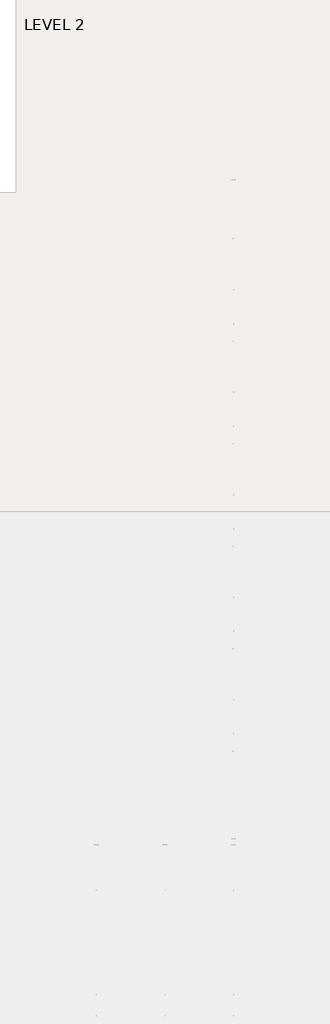
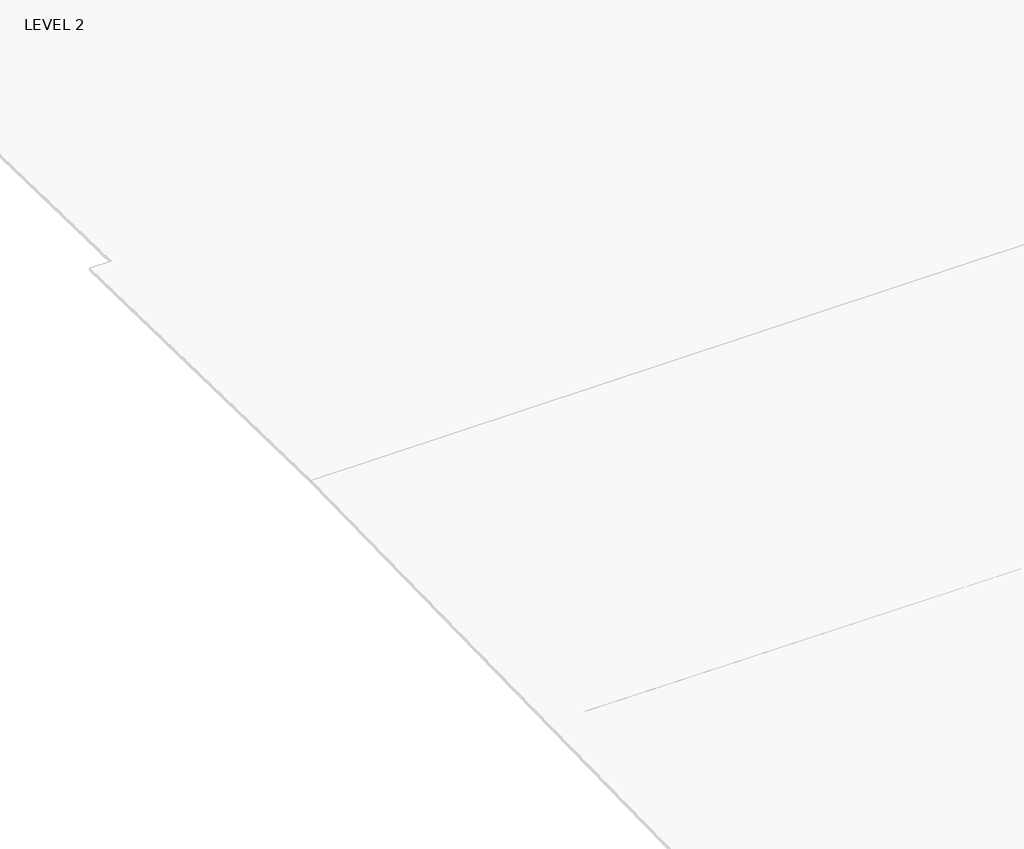
# One storey, part 13 of 67: 1 beam.
"""IFC4 building model written with IfcOpenShell, lengths in millimetres."""

from ifc_helpers import new_model, si_unit, frame, origin, place, context, project, spatial, polyline, outline, extrude, faceted_brep, element, save

model = new_model("IFC4")

# Units and contexts
model_context = context("Model", 3, world=origin())
ifc_project = project(units=[si_unit("LENGTHUNIT", "METRE", prefix="MILLI")], contexts=[model_context])

# Site, building, storey
site = spatial("IfcSite", under=ifc_project)
building = spatial("IfcBuilding", under=site)
storey = spatial("IfcBuildingStorey", under=building, Name="LEVEL 2", Elevation=6908.8)

# Beam
placement = place(None, origin())
element("IfcBeam", 1, ObjectType="K-Series Bar Joist-Angle Web : 20K3", at=placement, inside=storey, context=model_context, shape_type="SolidModel", body=[
    extrude(outline(polyline([(0.0, -9.525), (0.0, 0.0), (1028.0726482, 0.0), (1028.0726482, -9.525), (0.0, -9.525)])), frame((8848.9214942, 3035.5447016, 6301.7293524), z_axis=(0.0, -0.45779019940666343, 0.8890602529228306), x_axis=(0.0, -0.8890602529228306, -0.45779019940666343)), (0.0, 0.0, 1.0), 9.525),
    extrude(outline(polyline([(0.0, -9.525), (0.0, 0.0), (1028.0726482, 0.0), (1028.0726482, -9.525), (0.0, -9.525)])), frame((8839.3964942, -8186.0801874, 6292.6266625), z_axis=(0.0, 0.4563472328447928, 0.8898017774060134), x_axis=(0.0, 0.8898017774060134, -0.4563472328447928)), (0.0, 0.0, 1.0), 9.525),
    extrude(outline(polyline([(4.7625, 4.7625), (4.7625, -4.7625), (-4.7625, -4.7625), (-4.7625, 4.7625), (4.7625, 4.7625)])), frame((8844.1589942, 2119.3459472, 5835.3219193), z_axis=(0.0, 0.5289887197867537, 0.8486288554712076), x_axis=(-1.0, 0.0, 0.0)), (0.0, 0.0, 1.0), 553.9970421),
    extrude(outline(polyline([(4.7625, 4.7625), (4.7625, -4.7625), (-4.7625, -4.7625), (-4.7625, 4.7625), (4.7625, 4.7625)])), frame((8844.1589942, -7269.125964, 5827.7062353), z_axis=(0.0, -0.5303647939915402, 0.8477695354837371), x_axis=(-1.0, 0.0, 0.0)), (0.0, 0.0, 1.0), 553.9970421),
    extrude(outline(polyline([(0.0, 0.0), (31.75, 0.0), (31.75, -6.3500001), (6.35, -6.3500001), (6.35, -31.75), (0.0, -31.75), (0.0, 0.0)])), frame((8848.9214942, -7370.7207796, 5821.2738221), z_axis=(0.0, 0.9999996709985637, 0.0008111736956161088), x_axis=(1.0, 0.0, 0.0)), (0.0, 0.0, 1.0), 9591.675),
    extrude(outline(polyline([(-9.525, 0.0), (-9.525, -31.75), (-15.875, -31.75), (-15.875, -6.3500001), (-41.275, -6.3500001), (-41.275, 0.0), (-9.525, 0.0)])), frame((8848.9214942, -7370.7207796, 5821.2738221), z_axis=(0.0, 0.9999996709985637, 0.0008111736956161088), x_axis=(1.0, 0.0, 0.0)), (0.0, 0.0, 1.0), 9591.675),
    extrude(outline(polyline([(-31.75, 0.0), (0.0, 0.0), (0.0, -6.35), (-25.4, -6.35), (-25.4, -31.7499999), (-31.75, -31.7499999), (-31.75, 0.0)])), frame((8880.6714942, -8285.4810455, 6265.0319387), z_axis=(0.0, 0.9999996709985637, 0.0008111736956161088), x_axis=(1.0, 0.0, 0.0)), (0.0, 0.0, 1.0), 101.6),
    extrude(outline(polyline([(-41.275, 0.0), (-41.275, -31.7499999), (-47.625, -31.7499999), (-47.625, -6.35), (-73.025, -6.35), (-73.025, 0.0), (-41.275, 0.0)])), frame((8880.6714942, -8285.4810455, 6265.0319387), z_axis=(0.0, 0.9999996709985637, 0.0008111736956161088), x_axis=(1.0, 0.0, 0.0)), (0.0, 0.0, 1.0), 101.6),
    extrude(outline(polyline([(0.0, 0.0), (31.75, 0.0), (31.75, -6.35), (6.3500001, -6.35), (6.3500001, -31.75), (0.0, -31.75), (0.0, 0.0)])), frame((8839.3964942, 3033.3902306, 6274.2135123), z_axis=(0.0, 0.9999996709985637, 0.0008111736956161088), x_axis=(0.0, -0.0008111736956161088, 0.9999996709985637)), (0.0, 0.0, 1.0), 101.6),
    extrude(outline(polyline([(0.0, 41.275), (6.3500001, 41.275), (6.3500001, 15.875), (31.75, 15.875), (31.75, 9.525), (0.0, 9.525), (0.0, 41.275)])), frame((8839.3964942, 3033.3902306, 6274.2135123), z_axis=(0.0, 0.9999996709985637, 0.0008111736956161088), x_axis=(0.0, -0.0008111736956161088, 0.9999996709985637)), (0.0, 0.0, 1.0), 101.6),
    extrude(outline(polyline([(0.0, 0.0), (31.75, 0.0), (31.75, -6.35), (6.35, -6.35), (6.35, -31.75), (0.0, -31.75), (0.0, 0.0)])), frame((8848.9214942, -8285.532555, 6328.5319178), z_axis=(0.0, 0.9999996709985637, 0.0008111736956161088), x_axis=(0.0, 0.0008111736956161088, -0.9999996709985637)), (0.0, 0.0, 1.0), 11420.475),
    extrude(outline(polyline([(0.0, 9.525), (0.0, 41.275), (6.35, 41.275), (6.35, 15.875), (31.75, 15.875), (31.75, 9.525), (0.0, 9.525)])), frame((8848.9214942, -8285.532555, 6328.5319178), z_axis=(0.0, 0.9999996709985637, 0.0008111736956161088), x_axis=(0.0, 0.0008111736956161088, -0.9999996709985637)), (0.0, 0.0, 1.0), 11420.475),
    faceted_brep([(8844.1589942, 2119.3330698, 5851.196914), (8844.1589942, 2119.3485226, 5832.1469203), (8839.3964942, 2119.3485226, 5832.1469203), (8839.3964942, 2119.3330698, 5851.196914), (8844.1589942, 2118.4615659, 5851.1962071), (8844.1589942, 1837.3307328, 6333.5683199), (8844.1589942, 1819.1522429, 6333.5535739), (8844.1589942, 1819.1676957, 6314.5035802), (8844.1589942, 1826.3891975, 6314.5094381), (8844.1589942, 2107.5200307, 5832.1373253), (8839.3964942, 2107.5200307, 5832.1373253), (8839.3964942, 2087.1750362, 5867.0458335), (8839.3964942, 2091.2897218, 5869.4439095), (8839.3964942, 1839.7516079, 6301.0400104), (8839.3964942, 1835.6369223, 6298.6419344), (8839.3964942, 1826.3891975, 6314.5094381), (8839.3964942, 1819.1676957, 6314.5035802), (8839.3964942, 1819.1522429, 6333.5535739), (8839.3964942, 1837.3307328, 6333.5683199), (8839.3964942, 2118.4615659, 5851.1962071), (8826.6964942, 1835.6369223, 6298.6419344), (8826.6964942, 2087.1750362, 5867.0458335), (8826.6964942, 2091.2897218, 5869.4439095), (8826.6964942, 1839.7516079, 6301.0400104)], [[[0, 1, 2, 3]], [[1, 0, 4, 5, 6, 7, 8, 9]], [[2, 1, 9, 10]], [[3, 2, 10, 11, 12, 13, 14, 15, 16, 17, 18, 19]], [[0, 3, 19, 4]], [[9, 8, 15, 14, 20, 21, 11, 10]], [[5, 4, 19, 18]], [[7, 6, 17, 16]], [[8, 7, 16, 15]], [[6, 5, 18, 17]], [[21, 22, 12, 11]], [[20, 14, 13, 23]], [[22, 21, 20, 23]], [[12, 22, 23, 13]]]),
    extrude(outline(polyline([(1532.4698095, 5831.6708596), (1532.4543566, 5850.7208533), (1533.3258605, 5850.7215603), (1813.6737488, 6333.5491299), (1831.8522387, 6333.5638759), (1831.8676915, 6314.5138821), (1824.6461898, 6314.5080242), (1544.2983015, 5831.6804545), (1532.4698095, 5831.6708596)])), frame((8844.1589942, 0.0, 0.0), z_axis=(1.0, 0.0, 0.0), x_axis=(0.0, 1.0, 0.0)), (0.0, 0.0, 1.0), 4.7625),
    extrude(outline(polyline([(-4.7625, 4.7625), (-4.7625, 0.0), (-17.4625, 0.0), (-17.4625, 4.7625), (-4.7625, 4.7625)])), frame((8844.1589942, 1564.5866355, 5866.6219234), z_axis=(0.0, 0.502130690204053, 0.8647917494722076), x_axis=(-1.0, 0.0, 0.0)), (0.0, 0.0, 1.0), 499.5464113),
    faceted_brep([(8844.1589942, -6682.2601282, 5844.0572908), (8844.1589942, -6682.2446754, 5825.0072971), (8839.3964942, -6682.2446754, 5825.0072971), (8839.3964942, -6682.2601282, 5844.0572908), (8844.1589942, -6683.1316321, 5844.0565839), (8844.1589942, -6964.2624653, 6326.4286966), (8844.1589942, -6982.4409551, 6326.4139507), (8844.1589942, -6982.4255023, 6307.363957), (8844.1589942, -6975.2040005, 6307.3698149), (8844.1589942, -6694.0731673, 5824.9977021), (8839.3964942, -6694.0731673, 5824.9977021), (8839.3964942, -6714.4181619, 5859.9062103), (8839.3964942, -6710.3034762, 5862.3042863), (8839.3964942, -6961.8415901, 6293.9003872), (8839.3964942, -6965.9562758, 6291.5023112), (8839.3964942, -6975.2040005, 6307.3698149), (8839.3964942, -6982.4255023, 6307.363957), (8839.3964942, -6982.4409551, 6326.4139507), (8839.3964942, -6964.2624653, 6326.4286966), (8839.3964942, -6683.1316321, 5844.0565839), (8826.6964942, -6965.9562758, 6291.5023112), (8826.6964942, -6714.4181619, 5859.9062103), (8826.6964942, -6710.3034762, 5862.3042863), (8826.6964942, -6961.8415901, 6293.9003872)], [[[0, 1, 2, 3]], [[1, 0, 4, 5, 6, 7, 8, 9]], [[2, 1, 9, 10]], [[3, 2, 10, 11, 12, 13, 14, 15, 16, 17, 18, 19]], [[0, 3, 19, 4]], [[9, 8, 15, 14, 20, 21, 11, 10]], [[5, 4, 19, 18]], [[7, 6, 17, 16]], [[8, 7, 16, 15]], [[6, 5, 18, 17]], [[21, 22, 12, 11]], [[20, 14, 13, 23]], [[22, 21, 20, 23]], [[12, 22, 23, 13]]]),
    extrude(outline(polyline([(-7269.1233885, 5824.5312364), (-7269.1388414, 5843.5812301), (-7268.2673376, 5843.581937), (-6987.9194492, 6326.4095067), (-6969.7409593, 6326.4242526), (-6969.7255065, 6307.3742589), (-6976.9470082, 6307.368401), (-7257.2948966, 5824.5408313), (-7269.1233885, 5824.5312364)])), frame((8844.1589942, 0.0, 0.0), z_axis=(1.0, 0.0, 0.0), x_axis=(0.0, 1.0, 0.0)), (0.0, 0.0, 1.0), 4.7625),
    extrude(outline(polyline([(-4.7625, 4.7625), (-4.7625, 0.0), (-17.4625, 0.0), (-17.4625, 4.7625), (-4.7625, 4.7625)])), frame((8844.1589942, -7237.0065625, 5859.4823002), z_axis=(0.0, 0.502130690204053, 0.8647917494722076), x_axis=(-1.0, 0.0, 0.0)), (0.0, 0.0, 1.0), 499.5464113),
    faceted_brep([(8844.1589942, 1532.5601899, 5850.7209392), (8844.1589942, 1532.5756428, 5831.6709454), (8839.3964942, 1532.5756428, 5831.6709454), (8839.3964942, 1532.5601899, 5850.7209392), (8844.1589942, 1531.6886861, 5850.7202322), (8844.1589942, 1250.5578529, 6333.092345), (8844.1589942, 1232.379363, 6333.0775991), (8844.1589942, 1232.3948159, 6314.0276053), (8844.1589942, 1239.6163176, 6314.0334632), (8844.1589942, 1520.7471508, 5831.6613505), (8839.3964942, 1520.7471508, 5831.6613505), (8839.3964942, 1500.4021563, 5866.5698586), (8839.3964942, 1504.5168419, 5868.9679346), (8839.3964942, 1252.978728, 6300.5640355), (8839.3964942, 1248.8640424, 6298.1659595), (8839.3964942, 1239.6163176, 6314.0334632), (8839.3964942, 1232.3948159, 6314.0276053), (8839.3964942, 1232.379363, 6333.0775991), (8839.3964942, 1250.5578529, 6333.092345), (8839.3964942, 1531.6886861, 5850.7202322), (8826.6964942, 1248.8640424, 6298.1659595), (8826.6964942, 1500.4021563, 5866.5698586), (8826.6964942, 1504.5168419, 5868.9679346), (8826.6964942, 1252.978728, 6300.5640355)], [[[0, 1, 2, 3]], [[1, 0, 4, 5, 6, 7, 8, 9]], [[2, 1, 9, 10]], [[3, 2, 10, 11, 12, 13, 14, 15, 16, 17, 18, 19]], [[0, 3, 19, 4]], [[9, 8, 15, 14, 20, 21, 11, 10]], [[5, 4, 19, 18]], [[7, 6, 17, 16]], [[8, 7, 16, 15]], [[6, 5, 18, 17]], [[21, 22, 12, 11]], [[20, 14, 13, 23]], [[22, 21, 20, 23]], [[12, 22, 23, 13]]]),
    extrude(outline(polyline([(945.6969296, 5831.1948847), (945.6814768, 5850.2448784), (946.5529806, 5850.2455854), (1226.9008689, 6333.0731551), (1245.0793588, 6333.087901), (1245.0948117, 6314.0379072), (1237.8733099, 6314.0320493), (957.5254216, 5831.2044797), (945.6969296, 5831.1948847)])), frame((8844.1589942, 0.0, 0.0), z_axis=(1.0, 0.0, 0.0), x_axis=(0.0, 1.0, 0.0)), (0.0, 0.0, 1.0), 4.7625),
    extrude(outline(polyline([(-4.7625, 4.7625), (-4.7625, 0.0), (-17.4625, 0.0), (-17.4625, 4.7625), (-4.7625, 4.7625)])), frame((8844.1589942, 977.8137556, 5866.1459485), z_axis=(0.0, 0.502130690204053, 0.8647917494722076), x_axis=(-1.0, 0.0, 0.0)), (0.0, 0.0, 1.0), 499.5464113),
    faceted_brep([(8844.1589942, 945.7873101, 5850.2449643), (8844.1589942, 945.8027629, 5831.1949705), (8839.3964942, 945.8027629, 5831.1949705), (8839.3964942, 945.7873101, 5850.2449643), (8844.1589942, 944.9158062, 5850.2442573), (8844.1589942, 663.784973, 6332.6163701), (8844.1589942, 645.6064831, 6332.6016242), (8844.1589942, 645.621936, 6313.5516305), (8844.1589942, 652.8434377, 6313.5574883), (8844.1589942, 933.9742709, 5831.1853756), (8839.3964942, 933.9742709, 5831.1853756), (8839.3964942, 913.6292764, 5866.0938837), (8839.3964942, 917.743962, 5868.4919598), (8839.3964942, 666.2058481, 6300.0880607), (8839.3964942, 662.0911625, 6297.6899846), (8839.3964942, 652.8434377, 6313.5574883), (8839.3964942, 645.621936, 6313.5516305), (8839.3964942, 645.6064831, 6332.6016242), (8839.3964942, 663.784973, 6332.6163701), (8839.3964942, 944.9158062, 5850.2442573), (8826.6964942, 662.0911625, 6297.6899846), (8826.6964942, 913.6292764, 5866.0938837), (8826.6964942, 917.743962, 5868.4919598), (8826.6964942, 666.2058481, 6300.0880607)], [[[0, 1, 2, 3]], [[1, 0, 4, 5, 6, 7, 8, 9]], [[2, 1, 9, 10]], [[3, 2, 10, 11, 12, 13, 14, 15, 16, 17, 18, 19]], [[0, 3, 19, 4]], [[9, 8, 15, 14, 20, 21, 11, 10]], [[5, 4, 19, 18]], [[7, 6, 17, 16]], [[8, 7, 16, 15]], [[6, 5, 18, 17]], [[21, 22, 12, 11]], [[20, 14, 13, 23]], [[22, 21, 20, 23]], [[12, 22, 23, 13]]]),
    extrude(outline(polyline([(358.9240497, 5830.7189098), (358.9085969, 5849.7689035), (359.7801007, 5849.7696105), (640.1279891, 6332.5971802), (658.306479, 6332.6119261), (658.3219318, 6313.5619324), (651.1004301, 6313.5560745), (370.7525417, 5830.7285048), (358.9240497, 5830.7189098)])), frame((8844.1589942, 0.0, 0.0), z_axis=(1.0, 0.0, 0.0), x_axis=(0.0, 1.0, 0.0)), (0.0, 0.0, 1.0), 4.7625),
    extrude(outline(polyline([(-4.7625, 4.7625001), (-4.7625, 0.0), (-17.4625, 0.0), (-17.4625, 4.7625001), (-4.7625, 4.7625001)])), frame((8844.1589942, 391.0408758, 5865.6699736), z_axis=(0.0, 0.502130690204053, 0.8647917494722076), x_axis=(-1.0, 0.0, 0.0)), (0.0, 0.0, 1.0), 499.5464113),
    faceted_brep([(8844.1589942, 359.0144302, 5849.7689894), (8844.1589942, 359.029883, 5830.7189957), (8839.3964942, 359.029883, 5830.7189957), (8839.3964942, 359.0144302, 5849.7689894), (8844.1589942, 358.1429263, 5849.7682825), (8844.1589942, 77.0120932, 6332.1403952), (8844.1589942, 58.8336033, 6332.1256493), (8844.1589942, 58.8490561, 6313.0756556), (8844.1589942, 66.0705579, 6313.0815135), (8844.1589942, 347.2013911, 5830.7094007), (8839.3964942, 347.2013911, 5830.7094007), (8839.3964942, 326.8563966, 5865.6179089), (8839.3964942, 330.9710822, 5868.0159849), (8839.3964942, 79.4329683, 6299.6120858), (8839.3964942, 75.3182827, 6297.2140098), (8839.3964942, 66.0705579, 6313.0815135), (8839.3964942, 58.8490561, 6313.0756556), (8839.3964942, 58.8336033, 6332.1256493), (8839.3964942, 77.0120932, 6332.1403952), (8839.3964942, 358.1429263, 5849.7682825), (8826.6964942, 75.3182827, 6297.2140098), (8826.6964942, 326.8563966, 5865.6179089), (8826.6964942, 330.9710822, 5868.0159849), (8826.6964942, 79.4329683, 6299.6120858)], [[[0, 1, 2, 3]], [[1, 0, 4, 5, 6, 7, 8, 9]], [[2, 1, 9, 10]], [[3, 2, 10, 11, 12, 13, 14, 15, 16, 17, 18, 19]], [[0, 3, 19, 4]], [[9, 8, 15, 14, 20, 21, 11, 10]], [[5, 4, 19, 18]], [[7, 6, 17, 16]], [[8, 7, 16, 15]], [[6, 5, 18, 17]], [[21, 22, 12, 11]], [[20, 14, 13, 23]], [[22, 21, 20, 23]], [[12, 22, 23, 13]]]),
    extrude(outline(polyline([(-227.8488301, 5830.2429349), (-227.864283, 5849.2929287), (-226.9927791, 5849.2936356), (53.3551092, 6332.1212053), (71.5335991, 6332.1359512), (71.5490519, 6313.0859575), (64.3275502, 6313.0800996), (-216.0203381, 5830.2525299), (-227.8488301, 5830.2429349)])), frame((8844.1589942, 0.0, 0.0), z_axis=(1.0, 0.0, 0.0), x_axis=(0.0, 1.0, 0.0)), (0.0, 0.0, 1.0), 4.7625),
    extrude(outline(polyline([(-4.7625, 4.7625), (-4.7625, 0.0), (-17.4625, 0.0), (-17.4625, 4.7625), (-4.7625, 4.7625)])), frame((8844.1589942, -195.7320041, 5865.1939988), z_axis=(0.0, 0.502130690204053, 0.8647917494722076), x_axis=(-1.0, 0.0, 0.0)), (0.0, 0.0, 1.0), 499.5464113),
    faceted_brep([(8844.1589942, -527.9238237, 6312.5996807), (8844.1589942, -527.9392766, 6331.6496744), (8839.3964942, -527.9392766, 6331.6496744), (8839.3964942, -527.9238237, 6312.5996807), (8844.1589942, -520.702322, 6312.6055386), (8839.3964942, -520.702322, 6312.6055386), (8826.6964942, -255.8017977, 5867.54001), (8826.6964942, -259.9164833, 5865.141934), (8826.6964942, -511.4545972, 6296.7380349), (8826.6964942, -507.3399116, 6299.1361109), (8844.1589942, -227.7584497, 5849.2930145), (8844.1589942, -227.7429968, 5830.2430208), (8839.3964942, -227.7429968, 5830.2430208), (8839.3964942, -227.7584497, 5849.2930145), (8844.1589942, -228.6299535, 5849.2923076), (8844.1589942, -509.7607867, 6331.6644203), (8844.1589942, -239.5714888, 5830.2334258), (8839.3964942, -239.5714888, 5830.2334258), (8839.3964942, -259.9164833, 5865.141934), (8839.3964942, -255.8017977, 5867.54001), (8839.3964942, -507.3399116, 6299.1361109), (8839.3964942, -511.4545972, 6296.7380349), (8839.3964942, -509.7607867, 6331.6644203), (8839.3964942, -228.6299535, 5849.2923076)], [[[0, 1, 2, 3]], [[4, 0, 3, 5]], [[6, 7, 8, 9]], [[10, 11, 12, 13]], [[11, 10, 14, 15, 1, 0, 4, 16]], [[12, 11, 16, 17]], [[13, 12, 17, 18, 19, 20, 21, 5, 3, 2, 22, 23]], [[10, 13, 23, 14]], [[16, 4, 5, 21, 8, 7, 18, 17]], [[15, 14, 23, 22]], [[1, 15, 22, 2]], [[7, 6, 19, 18]], [[8, 21, 20, 9]], [[19, 6, 9, 20]]]),
    extrude(outline(polyline([(-814.62171, 5829.7669601), (-814.6371628, 5848.8169538), (-813.765659, 5848.8176607), (-533.4177707, 6331.6452304), (-515.2392808, 6331.6599763), (-515.2238279, 6312.6099826), (-522.4453297, 6312.6041247), (-802.793218, 5829.776555), (-814.62171, 5829.7669601)])), frame((8844.1589942, 0.0, 0.0), z_axis=(1.0, 0.0, 0.0), x_axis=(0.0, 1.0, 0.0)), (0.0, 0.0, 1.0), 4.7625),
    extrude(outline(polyline([(-4.7625, 4.7625), (-4.7625, 0.0), (-17.4625, 0.0), (-17.4625, 4.7625), (-4.7625, 4.7625)])), frame((8844.1589942, -782.504884, 5864.7180239), z_axis=(0.0, 0.502130690204053, 0.8647917494722076), x_axis=(-1.0, 0.0, 0.0)), (0.0, 0.0, 1.0), 499.5464113),
    faceted_brep([(8844.1589942, -1114.6967036, 6312.1237058), (8844.1589942, -1114.7121565, 6331.1736995), (8839.3964942, -1114.7121565, 6331.1736995), (8839.3964942, -1114.6967036, 6312.1237058), (8844.1589942, -1107.4752019, 6312.1295637), (8839.3964942, -1107.4752019, 6312.1295637), (8826.6964942, -842.5746776, 5867.0640351), (8826.6964942, -846.6893632, 5864.6659591), (8826.6964942, -1098.2274771, 6296.26206), (8826.6964942, -1094.1127915, 6298.660136), (8844.1589942, -814.5313295, 5848.8170396), (8844.1589942, -814.5158767, 5829.7670459), (8839.3964942, -814.5158767, 5829.7670459), (8839.3964942, -814.5313295, 5848.8170396), (8844.1589942, -815.4028334, 5848.8163327), (8844.1589942, -1096.5336666, 6331.1884455), (8844.1589942, -826.3443687, 5829.7574509), (8839.3964942, -826.3443687, 5829.7574509), (8839.3964942, -846.6893632, 5864.6659591), (8839.3964942, -842.5746776, 5867.0640351), (8839.3964942, -1094.1127915, 6298.660136), (8839.3964942, -1098.2274771, 6296.26206), (8839.3964942, -1096.5336666, 6331.1884455), (8839.3964942, -815.4028334, 5848.8163327)], [[[0, 1, 2, 3]], [[4, 0, 3, 5]], [[6, 7, 8, 9]], [[10, 11, 12, 13]], [[11, 10, 14, 15, 1, 0, 4, 16]], [[12, 11, 16, 17]], [[13, 12, 17, 18, 19, 20, 21, 5, 3, 2, 22, 23]], [[10, 13, 23, 14]], [[16, 4, 5, 21, 8, 7, 18, 17]], [[15, 14, 23, 22]], [[1, 15, 22, 2]], [[7, 6, 19, 18]], [[8, 21, 20, 9]], [[19, 6, 9, 20]]]),
    extrude(outline(polyline([(-1401.3945899, 5829.2909852), (-1401.4100427, 5848.3409789), (-1400.5385389, 5848.3416858), (-1120.1906505, 6331.1692555), (-1102.0121606, 6331.1840014), (-1101.9967078, 6312.1340077), (-1109.2182095, 6312.1281498), (-1389.5660979, 5829.3005801), (-1401.3945899, 5829.2909852)])), frame((8844.1589942, 0.0, 0.0), z_axis=(1.0, 0.0, 0.0), x_axis=(0.0, 1.0, 0.0)), (0.0, 0.0, 1.0), 4.7625),
    extrude(outline(polyline([(-4.7625, 4.7625), (-4.7625, 0.0), (-17.4625, 0.0), (-17.4625, 4.7625), (-4.7625, 4.7625)])), frame((8844.1589942, -1369.2777639, 5864.242049), z_axis=(0.0, 0.502130690204053, 0.8647917494722076), x_axis=(-1.0, 0.0, 0.0)), (0.0, 0.0, 1.0), 499.5464113),
    faceted_brep([(8844.1589942, -1701.4695835, 6311.6477309), (8844.1589942, -1701.4850363, 6330.6977247), (8839.3964942, -1701.4850363, 6330.6977247), (8839.3964942, -1701.4695835, 6311.6477309), (8844.1589942, -1694.2480817, 6311.6535888), (8839.3964942, -1694.2480817, 6311.6535888), (8826.6964942, -1429.3475574, 5866.5880602), (8826.6964942, -1433.462243, 5864.1899842), (8826.6964942, -1685.000357, 6295.7860851), (8826.6964942, -1680.8856713, 6298.1841611), (8844.1589942, -1401.3042094, 5848.3410648), (8844.1589942, -1401.2887566, 5829.291071), (8839.3964942, -1401.2887566, 5829.291071), (8839.3964942, -1401.3042094, 5848.3410648), (8844.1589942, -1402.1757133, 5848.3403578), (8844.1589942, -1683.3065464, 6330.7124706), (8844.1589942, -1413.1172485, 5829.2814761), (8839.3964942, -1413.1172485, 5829.2814761), (8839.3964942, -1433.462243, 5864.1899842), (8839.3964942, -1429.3475574, 5866.5880602), (8839.3964942, -1680.8856713, 6298.1841611), (8839.3964942, -1685.000357, 6295.7860851), (8839.3964942, -1683.3065464, 6330.7124706), (8839.3964942, -1402.1757133, 5848.3403578)], [[[0, 1, 2, 3]], [[4, 0, 3, 5]], [[6, 7, 8, 9]], [[10, 11, 12, 13]], [[11, 10, 14, 15, 1, 0, 4, 16]], [[12, 11, 16, 17]], [[13, 12, 17, 18, 19, 20, 21, 5, 3, 2, 22, 23]], [[10, 13, 23, 14]], [[16, 4, 5, 21, 8, 7, 18, 17]], [[15, 14, 23, 22]], [[1, 15, 22, 2]], [[7, 6, 19, 18]], [[8, 21, 20, 9]], [[19, 6, 9, 20]]]),
    extrude(outline(polyline([(-1988.1674697, 5828.8150103), (-1988.1829226, 5847.865004), (-1987.3114187, 5847.865711), (-1706.9635304, 6330.6932806), (-1688.7850405, 6330.7080266), (-1688.7695877, 6311.6580328), (-1695.9910894, 6311.6521749), (-1976.3389777, 5828.8246053), (-1988.1674697, 5828.8150103)])), frame((8844.1589942, 0.0, 0.0), z_axis=(1.0, 0.0, 0.0), x_axis=(0.0, 1.0, 0.0)), (0.0, 0.0, 1.0), 4.7625),
    extrude(outline(polyline([(-4.7625, 4.7625), (-4.7625, 0.0), (-17.4625, 0.0), (-17.4625, 4.7625), (-4.7625, 4.7625)])), frame((8844.1589942, -1956.0506437, 5863.7660741), z_axis=(0.0, 0.502130690204053, 0.8647917494722076), x_axis=(-1.0, 0.0, 0.0)), (0.0, 0.0, 1.0), 499.5464113),
    faceted_brep([(8844.1589942, -2288.2424633, 6311.171756), (8844.1589942, -2288.2579162, 6330.2217498), (8839.3964942, -2288.2579162, 6330.2217498), (8839.3964942, -2288.2424633, 6311.171756), (8844.1589942, -2281.0209616, 6311.1776139), (8839.3964942, -2281.0209616, 6311.1776139), (8826.6964942, -2016.1204373, 5866.1120853), (8826.6964942, -2020.2351229, 5863.7140093), (8826.6964942, -2271.7732368, 6295.3101102), (8826.6964942, -2267.6585512, 6297.7081862), (8844.1589942, -1988.0770893, 5847.8650899), (8844.1589942, -1988.0616364, 5828.8150961), (8839.3964942, -1988.0616364, 5828.8150961), (8839.3964942, -1988.0770893, 5847.8650899), (8844.1589942, -1988.9485931, 5847.8643829), (8844.1589942, -2270.0794263, 6330.2364957), (8844.1589942, -1999.8901284, 5828.8055012), (8839.3964942, -1999.8901284, 5828.8055012), (8839.3964942, -2020.2351229, 5863.7140093), (8839.3964942, -2016.1204373, 5866.1120853), (8839.3964942, -2267.6585512, 6297.7081862), (8839.3964942, -2271.7732368, 6295.3101102), (8839.3964942, -2270.0794263, 6330.2364957), (8839.3964942, -1988.9485931, 5847.8643829)], [[[0, 1, 2, 3]], [[4, 0, 3, 5]], [[6, 7, 8, 9]], [[10, 11, 12, 13]], [[11, 10, 14, 15, 1, 0, 4, 16]], [[12, 11, 16, 17]], [[13, 12, 17, 18, 19, 20, 21, 5, 3, 2, 22, 23]], [[10, 13, 23, 14]], [[16, 4, 5, 21, 8, 7, 18, 17]], [[15, 14, 23, 22]], [[1, 15, 22, 2]], [[7, 6, 19, 18]], [[8, 21, 20, 9]], [[19, 6, 9, 20]]]),
    extrude(outline(polyline([(-2574.9403496, 5828.3390354), (-2574.9558025, 5847.3890291), (-2574.0842986, 5847.3897361), (-2293.7364103, 6330.2173058), (-2275.5579204, 6330.2320517), (-2275.5424675, 6311.1820579), (-2282.7639693, 6311.1762001), (-2563.1118576, 5828.3486304), (-2574.9403496, 5828.3390354)])), frame((8844.1589942, 0.0, 0.0), z_axis=(1.0, 0.0, 0.0), x_axis=(0.0, 1.0, 0.0)), (0.0, 0.0, 1.0), 4.7625),
    extrude(outline(polyline([(-4.7625, 4.7625), (-4.7625, 0.0), (-17.4625, 0.0), (-17.4625, 4.7625), (-4.7625, 4.7625)])), frame((8844.1589942, -2542.8235236, 5863.2900992), z_axis=(0.0, 0.502130690204053, 0.8647917494722076), x_axis=(-1.0, 0.0, 0.0)), (0.0, 0.0, 1.0), 499.5464113),
    faceted_brep([(8844.1589942, -2574.8499692, 5847.389115), (8844.1589942, -2574.8345163, 5828.3391213), (8839.3964942, -2574.8345163, 5828.3391213), (8839.3964942, -2574.8499692, 5847.389115), (8844.1589942, -2575.721473, 5847.388408), (8844.1589942, -2856.8523062, 6329.7605208), (8844.1589942, -2875.0307961, 6329.7457749), (8844.1589942, -2875.0153432, 6310.6957812), (8844.1589942, -2867.7938415, 6310.7016391), (8844.1589942, -2586.6630083, 5828.3295263), (8839.3964942, -2586.6630083, 5828.3295263), (8839.3964942, -2607.0080028, 5863.2380345), (8839.3964942, -2602.8933172, 5865.6361105), (8839.3964942, -2854.4314311, 6297.2322114), (8839.3964942, -2858.5461167, 6294.8341353), (8839.3964942, -2867.7938415, 6310.7016391), (8839.3964942, -2875.0153432, 6310.6957812), (8839.3964942, -2875.0307961, 6329.7457749), (8839.3964942, -2856.8523062, 6329.7605208), (8839.3964942, -2575.721473, 5847.388408), (8826.6964942, -2858.5461167, 6294.8341353), (8826.6964942, -2607.0080028, 5863.2380345), (8826.6964942, -2602.8933172, 5865.6361105), (8826.6964942, -2854.4314311, 6297.2322114)], [[[0, 1, 2, 3]], [[1, 0, 4, 5, 6, 7, 8, 9]], [[2, 1, 9, 10]], [[3, 2, 10, 11, 12, 13, 14, 15, 16, 17, 18, 19]], [[0, 3, 19, 4]], [[9, 8, 15, 14, 20, 21, 11, 10]], [[5, 4, 19, 18]], [[7, 6, 17, 16]], [[8, 7, 16, 15]], [[6, 5, 18, 17]], [[21, 22, 12, 11]], [[20, 14, 13, 23]], [[22, 21, 20, 23]], [[12, 22, 23, 13]]]),
    extrude(outline(polyline([(-3161.7132295, 5827.8630605), (-3161.7286823, 5846.9130543), (-3160.8571785, 5846.9137612), (-2880.5092901, 6329.7413309), (-2862.3308002, 6329.7560768), (-2862.3153474, 6310.7060831), (-2869.5368491, 6310.7002252), (-3149.8847375, 5827.8726555), (-3161.7132295, 5827.8630605)])), frame((8844.1589942, 0.0, 0.0), z_axis=(1.0, 0.0, 0.0), x_axis=(0.0, 1.0, 0.0)), (0.0, 0.0, 1.0), 4.7625),
    extrude(outline(polyline([(-4.7625, 4.7625), (-4.7625, 0.0), (-17.4625, 0.0), (-17.4625, 4.7625), (-4.7625, 4.7625)])), frame((8844.1589942, -3129.5964035, 5862.8141243), z_axis=(0.0, 0.502130690204053, 0.8647917494722076), x_axis=(-1.0, 0.0, 0.0)), (0.0, 0.0, 1.0), 499.5464113),
    faceted_brep([(8844.1589942, -3161.622849, 5846.9131401), (8844.1589942, -3161.6073962, 5827.8631464), (8839.3964942, -3161.6073962, 5827.8631464), (8839.3964942, -3161.622849, 5846.9131401), (8844.1589942, -3162.4943529, 5846.9124332), (8844.1589942, -3443.625186, 6329.2845459), (8844.1589942, -3461.8036759, 6329.2698), (8844.1589942, -3461.7882231, 6310.2198063), (8844.1589942, -3454.5667213, 6310.2256642), (8844.1589942, -3173.4358881, 5827.8535514), (8839.3964942, -3173.4358881, 5827.8535514), (8839.3964942, -3193.7808826, 5862.7620596), (8839.3964942, -3189.666197, 5865.1601356), (8839.3964942, -3441.2043109, 6296.7562365), (8839.3964942, -3445.3189966, 6294.3581605), (8839.3964942, -3454.5667213, 6310.2256642), (8839.3964942, -3461.7882231, 6310.2198063), (8839.3964942, -3461.8036759, 6329.2698), (8839.3964942, -3443.625186, 6329.2845459), (8839.3964942, -3162.4943529, 5846.9124332), (8826.6964942, -3445.3189966, 6294.3581605), (8826.6964942, -3193.7808826, 5862.7620596), (8826.6964942, -3189.666197, 5865.1601356), (8826.6964942, -3441.2043109, 6296.7562365)], [[[0, 1, 2, 3]], [[1, 0, 4, 5, 6, 7, 8, 9]], [[2, 1, 9, 10]], [[3, 2, 10, 11, 12, 13, 14, 15, 16, 17, 18, 19]], [[0, 3, 19, 4]], [[9, 8, 15, 14, 20, 21, 11, 10]], [[5, 4, 19, 18]], [[7, 6, 17, 16]], [[8, 7, 16, 15]], [[6, 5, 18, 17]], [[21, 22, 12, 11]], [[20, 14, 13, 23]], [[22, 21, 20, 23]], [[12, 22, 23, 13]]]),
    extrude(outline(polyline([(-3748.4861093, 5827.3870856), (-3748.5015622, 5846.4370794), (-3747.6300583, 5846.4377863), (-3467.28217, 6329.265356), (-3449.1036801, 6329.2801019), (-3449.0882273, 6310.2301082), (-3456.309729, 6310.2242503), (-3736.6576173, 5827.3966806), (-3748.4861093, 5827.3870856)])), frame((8844.1589942, 0.0, 0.0), z_axis=(1.0, 0.0, 0.0), x_axis=(0.0, 1.0, 0.0)), (0.0, 0.0, 1.0), 4.7625),
    extrude(outline(polyline([(-4.7625, 4.7625), (-4.7625, 0.0), (-17.4625, 0.0), (-17.4625, 4.7625), (-4.7625, 4.7625)])), frame((8844.1589942, -3716.3692833, 5862.3381495), z_axis=(0.0, 0.502130690204053, 0.8647917494722076), x_axis=(-1.0, 0.0, 0.0)), (0.0, 0.0, 1.0), 499.5464113),
    faceted_brep([(8844.1589942, -3748.3957289, 5846.4371652), (8844.1589942, -3748.380276, 5827.3871715), (8839.3964942, -3748.380276, 5827.3871715), (8839.3964942, -3748.3957289, 5846.4371652), (8844.1589942, -3749.2672327, 5846.4364583), (8844.1589942, -4030.3980659, 6328.808571), (8844.1589942, -4048.5765558, 6328.7938251), (8844.1589942, -4048.5611029, 6309.7438314), (8844.1589942, -4041.3396012, 6309.7496893), (8844.1589942, -3760.208768, 5827.3775765), (8839.3964942, -3760.208768, 5827.3775765), (8839.3964942, -3780.5537625, 5862.2860847), (8839.3964942, -3776.4390769, 5864.6841607), (8839.3964942, -4027.9771908, 6296.2802616), (8839.3964942, -4032.0918764, 6293.8821856), (8839.3964942, -4041.3396012, 6309.7496893), (8839.3964942, -4048.5611029, 6309.7438314), (8839.3964942, -4048.5765558, 6328.7938251), (8839.3964942, -4030.3980659, 6328.808571), (8839.3964942, -3749.2672327, 5846.4364583), (8826.6964942, -4032.0918764, 6293.8821856), (8826.6964942, -3780.5537625, 5862.2860847), (8826.6964942, -3776.4390769, 5864.6841607), (8826.6964942, -4027.9771908, 6296.2802616)], [[[0, 1, 2, 3]], [[1, 0, 4, 5, 6, 7, 8, 9]], [[2, 1, 9, 10]], [[3, 2, 10, 11, 12, 13, 14, 15, 16, 17, 18, 19]], [[0, 3, 19, 4]], [[9, 8, 15, 14, 20, 21, 11, 10]], [[5, 4, 19, 18]], [[7, 6, 17, 16]], [[8, 7, 16, 15]], [[6, 5, 18, 17]], [[21, 22, 12, 11]], [[20, 14, 13, 23]], [[22, 21, 20, 23]], [[12, 22, 23, 13]]]),
    extrude(outline(polyline([(-4335.2589892, 5826.9111108), (-4335.2744421, 5845.9611045), (-4334.4029382, 5845.9618114), (-4054.0550499, 6328.7893811), (-4035.87656, 6328.804127), (-4035.8611071, 6309.7541333), (-4043.0826089, 6309.7482754), (-4323.4304972, 5826.9207057), (-4335.2589892, 5826.9111108)])), frame((8844.1589942, 0.0, 0.0), z_axis=(1.0, 0.0, 0.0), x_axis=(0.0, 1.0, 0.0)), (0.0, 0.0, 1.0), 4.7625),
    extrude(outline(polyline([(-4.7625, 4.7625), (-4.7625, 0.0), (-17.4625, 0.0), (-17.4625, 4.7625), (-4.7625, 4.7625)])), frame((8844.1589942, -4303.1421632, 5861.8621746), z_axis=(0.0, 0.502130690204053, 0.8647917494722076), x_axis=(-1.0, 0.0, 0.0)), (0.0, 0.0, 1.0), 499.5464113),
    faceted_brep([(8844.1589942, -4335.1686088, 5845.9611903), (8844.1589942, -4335.1531559, 5826.9111966), (8839.3964942, -4335.1531559, 5826.9111966), (8839.3964942, -4335.1686088, 5845.9611903), (8844.1589942, -4336.0401126, 5845.9604834), (8844.1589942, -4617.1709458, 6328.3325962), (8844.1589942, -4635.3494357, 6328.3178502), (8844.1589942, -4635.3339828, 6309.2678565), (8844.1589942, -4628.1124811, 6309.2737144), (8844.1589942, -4346.9816479, 5826.9016016), (8839.3964942, -4346.9816479, 5826.9016016), (8839.3964942, -4367.3266424, 5861.8101098), (8839.3964942, -4363.2119568, 5864.2081858), (8839.3964942, -4614.7500707, 6295.8042867), (8839.3964942, -4618.8647563, 6293.4062107), (8839.3964942, -4628.1124811, 6309.2737144), (8839.3964942, -4635.3339828, 6309.2678565), (8839.3964942, -4635.3494357, 6328.3178502), (8839.3964942, -4617.1709458, 6328.3325962), (8839.3964942, -4336.0401126, 5845.9604834), (8826.6964942, -4618.8647563, 6293.4062107), (8826.6964942, -4367.3266424, 5861.8101098), (8826.6964942, -4363.2119568, 5864.2081858), (8826.6964942, -4614.7500707, 6295.8042867)], [[[0, 1, 2, 3]], [[1, 0, 4, 5, 6, 7, 8, 9]], [[2, 1, 9, 10]], [[3, 2, 10, 11, 12, 13, 14, 15, 16, 17, 18, 19]], [[0, 3, 19, 4]], [[9, 8, 15, 14, 20, 21, 11, 10]], [[5, 4, 19, 18]], [[7, 6, 17, 16]], [[8, 7, 16, 15]], [[6, 5, 18, 17]], [[21, 22, 12, 11]], [[20, 14, 13, 23]], [[22, 21, 20, 23]], [[12, 22, 23, 13]]]),
    extrude(outline(polyline([(-4922.0318691, 5826.4351359), (-4922.0473219, 5845.4851296), (-4921.1758181, 5845.4858366), (-4640.8279297, 6328.3134062), (-4622.6494399, 6328.3281522), (-4622.633987, 6309.2781584), (-4629.8554887, 6309.2723005), (-4910.2033771, 5826.4447308), (-4922.0318691, 5826.4351359)])), frame((8844.1589942, 0.0, 0.0), z_axis=(1.0, 0.0, 0.0), x_axis=(0.0, 1.0, 0.0)), (0.0, 0.0, 1.0), 4.7625),
    extrude(outline(polyline([(-4.7625, 4.7625), (-4.7625, 0.0), (-17.4625, 0.0), (-17.4625, 4.7625), (-4.7625, 4.7625)])), frame((8844.1589942, -4889.9150431, 5861.3861997), z_axis=(0.0, 0.502130690204053, 0.8647917494722076), x_axis=(-1.0, 0.0, 0.0)), (0.0, 0.0, 1.0), 499.5464113),
    faceted_brep([(8844.1589942, -4921.9414886, 5845.4852155), (8844.1589942, -4921.9260358, 5826.4352217), (8839.3964942, -4921.9260358, 5826.4352217), (8839.3964942, -4921.9414886, 5845.4852155), (8844.1589942, -4922.8129925, 5845.4845085), (8844.1589942, -5203.9438256, 6327.8566213), (8844.1589942, -5222.1223155, 6327.8418754), (8844.1589942, -5222.1068627, 6308.7918816), (8844.1589942, -5214.8853609, 6308.7977395), (8844.1589942, -4933.7545277, 5826.4256268), (8839.3964942, -4933.7545277, 5826.4256268), (8839.3964942, -4954.0995223, 5861.3341349), (8839.3964942, -4949.9848366, 5863.7322109), (8839.3964942, -5201.5229505, 6295.3283118), (8839.3964942, -5205.6376362, 6292.9302358), (8839.3964942, -5214.8853609, 6308.7977395), (8839.3964942, -5222.1068627, 6308.7918816), (8839.3964942, -5222.1223155, 6327.8418754), (8839.3964942, -5203.9438256, 6327.8566213), (8839.3964942, -4922.8129925, 5845.4845085), (8826.6964942, -5205.6376362, 6292.9302358), (8826.6964942, -4954.0995223, 5861.3341349), (8826.6964942, -4949.9848366, 5863.7322109), (8826.6964942, -5201.5229505, 6295.3283118)], [[[0, 1, 2, 3]], [[1, 0, 4, 5, 6, 7, 8, 9]], [[2, 1, 9, 10]], [[3, 2, 10, 11, 12, 13, 14, 15, 16, 17, 18, 19]], [[0, 3, 19, 4]], [[9, 8, 15, 14, 20, 21, 11, 10]], [[5, 4, 19, 18]], [[7, 6, 17, 16]], [[8, 7, 16, 15]], [[6, 5, 18, 17]], [[21, 22, 12, 11]], [[20, 14, 13, 23]], [[22, 21, 20, 23]], [[12, 22, 23, 13]]]),
    extrude(outline(polyline([(-5508.8047489, 5825.959161), (-5508.8202018, 5845.0091547), (-5507.9486979, 5845.0098617), (-5227.6008096, 6327.8374314), (-5209.4223197, 6327.8521773), (-5209.4068669, 6308.8021835), (-5216.6283686, 6308.7963256), (-5496.9762569, 5825.968756), (-5508.8047489, 5825.959161)])), frame((8844.1589942, 0.0, 0.0), z_axis=(1.0, 0.0, 0.0), x_axis=(0.0, 1.0, 0.0)), (0.0, 0.0, 1.0), 4.7625),
    extrude(outline(polyline([(-4.7625, 4.7625), (-4.7625, 0.0), (-17.4625, 0.0), (-17.4625, 4.7625), (-4.7625, 4.7625)])), frame((8844.1589942, -5476.6879229, 5860.9102248), z_axis=(0.0, 0.502130690204053, 0.8647917494722076), x_axis=(-1.0, 0.0, 0.0)), (0.0, 0.0, 1.0), 499.5464113),
    faceted_brep([(8844.1589942, -5508.7143685, 5845.0092406), (8844.1589942, -5508.6989156, 5825.9592468), (8839.3964942, -5508.6989156, 5825.9592468), (8839.3964942, -5508.7143685, 5845.0092406), (8844.1589942, -5509.5858723, 5845.0085336), (8844.1589942, -5790.7167055, 6327.3806464), (8844.1589942, -5808.8951954, 6327.3659005), (8844.1589942, -5808.8797426, 6308.3159068), (8844.1589942, -5801.6582408, 6308.3217646), (8844.1589942, -5520.5274076, 5825.9496519), (8839.3964942, -5520.5274076, 5825.9496519), (8839.3964942, -5540.8724021, 5860.85816), (8839.3964942, -5536.7577165, 5863.2562361), (8839.3964942, -5788.2958304, 6294.852337), (8839.3964942, -5792.410516, 6292.4542609), (8839.3964942, -5801.6582408, 6308.3217646), (8839.3964942, -5808.8797426, 6308.3159068), (8839.3964942, -5808.8951954, 6327.3659005), (8839.3964942, -5790.7167055, 6327.3806464), (8839.3964942, -5509.5858723, 5845.0085336), (8826.6964942, -5792.410516, 6292.4542609), (8826.6964942, -5540.8724021, 5860.85816), (8826.6964942, -5536.7577165, 5863.2562361), (8826.6964942, -5788.2958304, 6294.852337)], [[[0, 1, 2, 3]], [[1, 0, 4, 5, 6, 7, 8, 9]], [[2, 1, 9, 10]], [[3, 2, 10, 11, 12, 13, 14, 15, 16, 17, 18, 19]], [[0, 3, 19, 4]], [[9, 8, 15, 14, 20, 21, 11, 10]], [[5, 4, 19, 18]], [[7, 6, 17, 16]], [[8, 7, 16, 15]], [[6, 5, 18, 17]], [[21, 22, 12, 11]], [[20, 14, 13, 23]], [[22, 21, 20, 23]], [[12, 22, 23, 13]]]),
    extrude(outline(polyline([(-6095.5776288, 5825.4831861), (-6095.5930817, 5844.5331798), (-6094.7215778, 5844.5338868), (-5814.3736895, 6327.3614565), (-5796.1951996, 6327.3762024), (-5796.1797467, 6308.3262087), (-5803.4012485, 6308.3203508), (-6083.7491368, 5825.4927811), (-6095.5776288, 5825.4831861)])), frame((8844.1589942, 0.0, 0.0), z_axis=(1.0, 0.0, 0.0), x_axis=(0.0, 1.0, 0.0)), (0.0, 0.0, 1.0), 4.7625),
    extrude(outline(polyline([(-4.7625, 4.7625), (-4.7625, 0.0), (-17.4625, 0.0), (-17.4625, 4.7625), (-4.7625, 4.7625)])), frame((8844.1589942, -6063.4608028, 5860.4342499), z_axis=(0.0, 0.502130690204053, 0.8647917494722076), x_axis=(-1.0, 0.0, 0.0)), (0.0, 0.0, 1.0), 499.5464113),
    faceted_brep([(8844.1589942, -6095.4872484, 5844.5332657), (8844.1589942, -6095.4717955, 5825.483272), (8839.3964942, -6095.4717955, 5825.483272), (8839.3964942, -6095.4872484, 5844.5332657), (8844.1589942, -6096.3587522, 5844.5325588), (8844.1589942, -6377.4895854, 6326.9046715), (8844.1589942, -6395.6680753, 6326.8899256), (8844.1589942, -6395.6526224, 6307.8399319), (8844.1589942, -6388.4311207, 6307.8457898), (8844.1589942, -6107.3002875, 5825.473677), (8839.3964942, -6107.3002875, 5825.473677), (8839.3964942, -6127.645282, 5860.3821852), (8839.3964942, -6123.5305964, 5862.7802612), (8839.3964942, -6375.0687103, 6294.3763621), (8839.3964942, -6379.1833959, 6291.9782861), (8839.3964942, -6388.4311207, 6307.8457898), (8839.3964942, -6395.6526224, 6307.8399319), (8839.3964942, -6395.6680753, 6326.8899256), (8839.3964942, -6377.4895854, 6326.9046715), (8839.3964942, -6096.3587522, 5844.5325588), (8826.6964942, -6379.1833959, 6291.9782861), (8826.6964942, -6127.645282, 5860.3821852), (8826.6964942, -6123.5305964, 5862.7802612), (8826.6964942, -6375.0687103, 6294.3763621)], [[[0, 1, 2, 3]], [[1, 0, 4, 5, 6, 7, 8, 9]], [[2, 1, 9, 10]], [[3, 2, 10, 11, 12, 13, 14, 15, 16, 17, 18, 19]], [[0, 3, 19, 4]], [[9, 8, 15, 14, 20, 21, 11, 10]], [[5, 4, 19, 18]], [[7, 6, 17, 16]], [[8, 7, 16, 15]], [[6, 5, 18, 17]], [[21, 22, 12, 11]], [[20, 14, 13, 23]], [[22, 21, 20, 23]], [[12, 22, 23, 13]]]),
    extrude(outline(polyline([(-6682.3505087, 5825.0072112), (-6682.3659615, 5844.057205), (-6681.4944577, 5844.0579119), (-6401.1465693, 6326.8854816), (-6382.9680795, 6326.9002275), (-6382.9526266, 6307.8502338), (-6390.1741283, 6307.8443759), (-6670.5220167, 5825.0168062), (-6682.3505087, 5825.0072112)])), frame((8844.1589942, 0.0, 0.0), z_axis=(1.0, 0.0, 0.0), x_axis=(0.0, 1.0, 0.0)), (0.0, 0.0, 1.0), 4.7625),
    extrude(outline(polyline([(-4.7625, 4.7625), (-4.7625, 0.0), (-17.4625, 0.0), (-17.4625, 4.7625), (-4.7625, 4.7625)])), frame((8844.1589942, -6650.2336827, 5859.9582751), z_axis=(0.0, 0.502130690204053, 0.8647917494722076), x_axis=(-1.0, 0.0, 0.0)), (0.0, 0.0, 1.0), 499.5464113),
])

save(model, "model.ifc")
